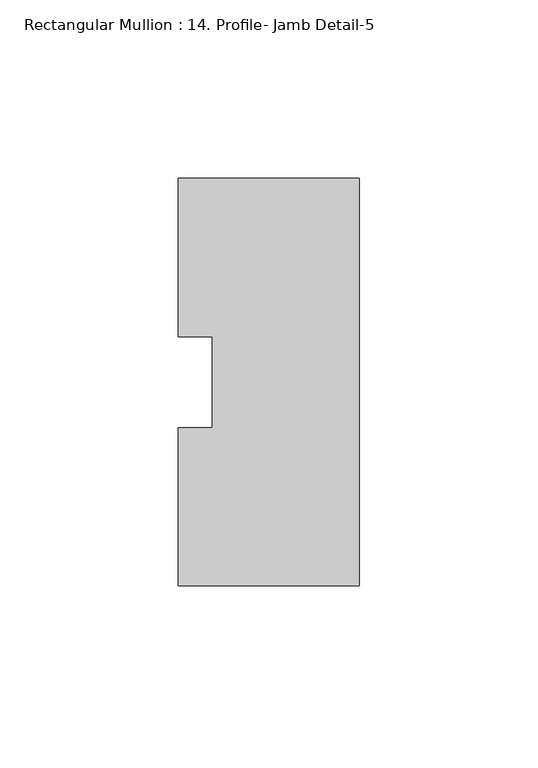
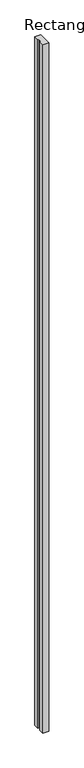
"""IFC4 building model written with IfcOpenShell, lengths in millimetres: member geometry, Rectangular Mullion : 14. Profile- Jamb Detail-5."""

import ifcopenshell
import ifcopenshell.guid

model = None  # the IFC model being written
_history = None  # IfcOwnerHistory: only IFC2X3 demands one
_inside = {}  # id of a spatial element -> (the spatial element, [elements in it])
_under = {}  # id of a project, library or spatial element -> (it, [spatial elements below it])
_declared = {}  # id of a project -> (the project, [libraries it declares])
_typed = {}  # id of a type object -> (the type object, [elements of that type])
_made_of = {}  # id of a material, layer set ... -> (it, [elements and type objects made of it])


def new_model(schema):
    """Start an empty IFC model of exactly this schema.

    Asked for "IFC4X3", IfcOpenShell would pick the latest addendum, in which some entities
    have other attributes; the version numbers below select the first issue.
    IFC2X3 requires an IfcOwnerHistory on every rooted entity: one is made here for all.
    """
    global model, _history
    if schema == "IFC4X3":
        model = ifcopenshell.file(schema_version=(4, 3, 0, 0))
    else:
        model = ifcopenshell.file(schema=schema)
    _inside.clear()
    _under.clear()
    _declared.clear()
    _typed.clear()
    _made_of.clear()
    _history = None
    if model.schema == "IFC2X3":
        org = make("IfcOrganization", Name="unknown")
        user = make(
            "IfcPersonAndOrganization",
            ThePerson=make("IfcPerson", FamilyName="unknown"),
            TheOrganization=org,
        )
        app = make(
            "IfcApplication",
            ApplicationDeveloper=org,
            Version="unknown",
            ApplicationFullName="unknown",
            ApplicationIdentifier="unknown",
        )
        _history = make(
            "IfcOwnerHistory",
            OwningUser=user,
            OwningApplication=app,
            ChangeAction="ADDED",
            CreationDate=0,
        )
    return model


def make(cls, **values):
    """One entity of the class cls with the attributes given. An attribute that is None is left unset."""
    return model.create_entity(
        cls, **{name: value for name, value in values.items() if value is not None}
    )


def rooted(cls, **values):
    """An entity with a GlobalId (a new one), such as an element, a storey or a relation."""
    return make(cls, GlobalId=ifcopenshell.guid.new(), OwnerHistory=_history, **values)


def si_unit(unit_type, name, prefix=None):
    """IfcSIUnit, for example si_unit("LENGTHUNIT", "METRE", prefix="MILLI")."""
    return make("IfcSIUnit", UnitType=unit_type, Prefix=prefix, Name=name)


def assignment(units):
    """IfcUnitAssignment: the units of a project."""
    return None if units is None else make("IfcUnitAssignment", Units=units)


def point(xyz):
    """IfcCartesianPoint."""
    return None if xyz is None else make("IfcCartesianPoint", Coordinates=xyz)


def direction(xyz):
    """IfcDirection."""
    return None if xyz is None else make("IfcDirection", DirectionRatios=xyz)


def frame(location, z_axis=None, x_axis=None):
    """IfcAxis2Placement3D, a coordinate frame: its origin and axes. An axis left out is left unset."""
    return make(
        "IfcAxis2Placement3D",
        Location=point(location),
        Axis=direction(z_axis),
        RefDirection=direction(x_axis),
    )


def origin():
    """The frame at (0, 0, 0) with its axes left unset."""
    return frame((0.0, 0.0, 0.0))


def place(relative_to, where):
    """IfcLocalPlacement: puts the frame where relative to a parent placement (None: the world)."""
    return make(
        "IfcLocalPlacement", PlacementRelTo=relative_to, RelativePlacement=where
    )


def context(
    kind, dimensions, precision=None, world=None, true_north=None, identifier=None
):
    """IfcGeometricRepresentationContext, for example the 3D "Model" context."""
    return make(
        "IfcGeometricRepresentationContext",
        ContextIdentifier=identifier,
        ContextType=kind,
        CoordinateSpaceDimension=dimensions,
        Precision=precision,
        WorldCoordinateSystem=world,
        TrueNorth=true_north,
    )


def project(units=None, contexts=None):
    """IfcProject with its units and contexts."""
    return rooted(
        "IfcProject",
        Name="project",
        RepresentationContexts=contexts,
        UnitsInContext=assignment(units),
    )


def spatial(cls, under=None, at=None, **own):
    """A site, building, storey or space (cls), placed at a placement, below another one or the project."""
    s = rooted(cls, ObjectPlacement=at, **own)
    if under is not None:
        _under.setdefault(under.id(), (under, []))[1].append(s)
    return s


def polyline(points):
    """IfcPolyline through the points."""
    return make("IfcPolyline", Points=[point(p) for p in points])


def outline(outer, holes=None, kind="AREA"):
    """IfcArbitraryClosedProfileDef: a profile drawn as a closed curve; with holes, ...WithVoids."""
    if holes is None:
        return make("IfcArbitraryClosedProfileDef", ProfileType=kind, OuterCurve=outer)
    return make(
        "IfcArbitraryProfileDefWithVoids",
        ProfileType=kind,
        OuterCurve=outer,
        InnerCurves=holes,
    )


def extrude(swept, where, along, depth):
    """IfcExtrudedAreaSolid: the profile swept, set in the frame where, extruded along a direction by depth."""
    return make(
        "IfcExtrudedAreaSolid",
        SweptArea=swept,
        Position=where,
        ExtrudedDirection=direction(along),
        Depth=depth,
    )


def shape(context_of_items, identifier, shape_type, items):
    """IfcShapeRepresentation: the items that make up one representation, for example the "Body"."""
    return make(
        "IfcShapeRepresentation",
        ContextOfItems=context_of_items,
        RepresentationIdentifier=identifier,
        RepresentationType=shape_type,
        Items=items,
    )


def source(mapping_origin, context_of_items, identifier, shape_type, items):
    """IfcRepresentationMap: a shape defined once, which mapped items show again and again."""
    return make(
        "IfcRepresentationMap",
        MappingOrigin=mapping_origin,
        MappedRepresentation=shape(context_of_items, identifier, shape_type, items),
    )


def transform(
    local_origin,
    x_axis=None,
    y_axis=None,
    z_axis=None,
    scale=None,
    scale2=None,
    scale3=None,
    uniform=True,
):
    """IfcCartesianTransformationOperator3D, or its non-uniform kind. x_axis, y_axis, z_axis: its Axis1, 2, 3."""
    if uniform:
        return make(
            "IfcCartesianTransformationOperator3D",
            Axis1=direction(x_axis),
            Axis2=direction(y_axis),
            LocalOrigin=point(local_origin),
            Scale=scale,
            Axis3=direction(z_axis),
        )
    return make(
        "IfcCartesianTransformationOperator3DnonUniform",
        Axis1=direction(x_axis),
        Axis2=direction(y_axis),
        LocalOrigin=point(local_origin),
        Scale=scale,
        Axis3=direction(z_axis),
        Scale2=scale2,
        Scale3=scale3,
    )


def mapped(mapping_source, mapping_target):
    """IfcMappedItem: shows the shape of a source again, moved by a transform."""
    return make(
        "IfcMappedItem", MappingSource=mapping_source, MappingTarget=mapping_target
    )


def made_of(thing, what):
    """Note that an element or type object is made of a material, layer set ...; save() writes the relation."""
    if what is not None:
        _made_of.setdefault(what.id(), (what, []))[1].append(thing)
    return thing


def element(
    cls,
    number,
    at=None,
    inside=None,
    cuts=None,
    type_object=None,
    material=None,
    context=None,
    identifier="Body",
    shape_type=None,
    held_by="IfcProductDefinitionShape",
    body=None,
    shapes=None,
    **own,
):
    """One element of the class cls, such as IfcWall. Its Tag is "e" and its number.

    at: its placement. inside: the storey or other place that contains it. cuts: it is an
    opening in that element (IfcRelVoidsElement). A single representation is given by context,
    identifier, shape_type and body (its items); several are given by shapes. held_by: the class
    of the entity that holds the representations. save() writes the other relations.
    """
    e = rooted(cls, Tag="e%d" % number, ObjectPlacement=at, **own)
    if body is not None:
        shapes = [shape(context, identifier, shape_type, body)]
    if shapes is not None:
        e.Representation = make(held_by, Representations=shapes)
    if inside is not None:
        _inside.setdefault(inside.id(), (inside, []))[1].append(e)
    if cuts is not None:
        rooted(
            "IfcRelVoidsElement", RelatingBuildingElement=cuts, RelatedOpeningElement=e
        )
    if type_object is not None:
        _typed.setdefault(type_object.id(), (type_object, []))[1].append(e)
    return made_of(e, material)


def aggregate(whole, parts):
    """IfcRelAggregates: a whole, such as a stair, and the parts it consists of."""
    return rooted("IfcRelAggregates", RelatingObject=whole, RelatedObjects=parts)


def save(model, path):
    """Write the relations noted so far, then the file.

    IfcRelAggregates (storeys below a building ...), IfcRelContainedInSpatialStructure (elements
    in a storey), IfcRelDefinesByType, IfcRelAssociatesMaterial and IfcRelDeclares: one each for
    every whole, place, type object, material and project.
    """
    for whole, parts in _under.values():
        aggregate(whole, parts)
    for where, things in _inside.values():
        rooted(
            "IfcRelContainedInSpatialStructure",
            RelatedElements=things,
            RelatingStructure=where,
        )
    for kind, things in _typed.values():
        rooted("IfcRelDefinesByType", RelatedObjects=things, RelatingType=kind)
    for what, things in _made_of.values():
        rooted("IfcRelAssociatesMaterial", RelatedObjects=things, RelatingMaterial=what)
    for by, libraries in _declared.values():
        rooted("IfcRelDeclares", RelatingContext=by, RelatedDefinitions=libraries)
    model.write(path)


def rectangular_mullion_14_profile_jamb_detail_5_9bcb8b79(model_context):
    return source(origin(), model_context, "Body", "SweptSolid", [
        extrude(outline(polyline([(0.0, -55.6848818), (-50.8, -55.6718008), (-50.8, -11.2768034), (-41.275, -11.2768034), (-41.275, 14.210895), (-50.8, 14.210895), (-50.8, 58.6281992), (0.0, 58.6281992), (0.0, -55.6848818)])), frame((0.0, 0.0, -6096.0), z_axis=(0.0, 0.0, 1.0), x_axis=(1.0, 0.0, 0.0)), (0.0, 0.0, 1.0), 6096.0),
    ])


if __name__ == "__main__":
    model = new_model("IFC4")
    model_context = context("Model", 3, world=origin())
    ifc_project = project(units=[si_unit("LENGTHUNIT", "METRE", prefix="MILLI")], contexts=[model_context])
    site = spatial("IfcSite", under=ifc_project)
    building = spatial("IfcBuilding", under=site)
    placement = place(None, origin())
    rectangular_mullion_14_profile_jamb_detail_5_shape = rectangular_mullion_14_profile_jamb_detail_5_9bcb8b79(model_context)
    element("IfcMember", 1, ObjectType="Rectangular Mullion : 14. Profile- Jamb Detail-5", at=placement, inside=building, context=model_context, shape_type="MappedRepresentation", body=[
        mapped(rectangular_mullion_14_profile_jamb_detail_5_shape, transform((0.0, 0.0, 0.0), x_axis=(1.0, 0.0, 0.0), y_axis=(0.0, 1.0, 0.0), z_axis=(0.0, 0.0, 1.0))),
    ])
    save(model, "model.ifc")
